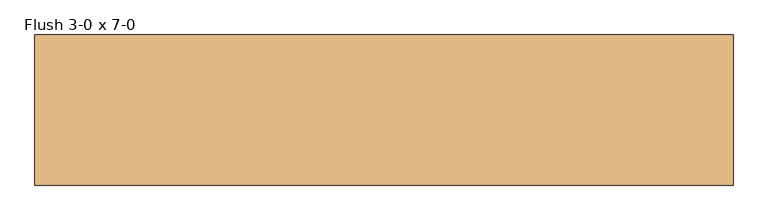
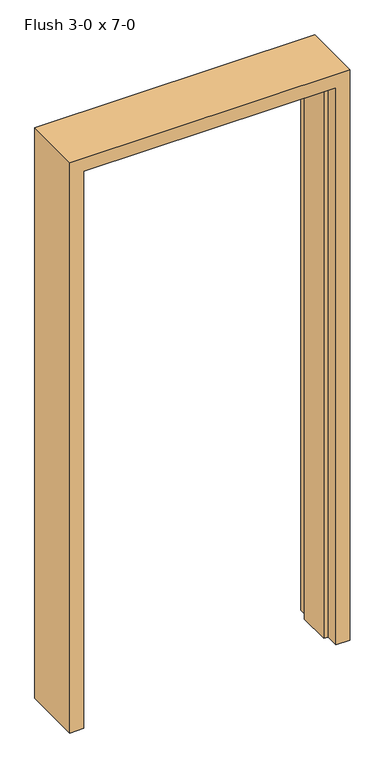
"""IFC4 building model written with IfcOpenShell, lengths in millimetres: door geometry, Flush 3-0 x 7-0."""

import ifcopenshell
import ifcopenshell.guid

model = None  # the IFC model being written
_history = None  # IfcOwnerHistory: only IFC2X3 demands one
_inside = {}  # id of a spatial element -> (the spatial element, [elements in it])
_under = {}  # id of a project, library or spatial element -> (it, [spatial elements below it])
_declared = {}  # id of a project -> (the project, [libraries it declares])
_typed = {}  # id of a type object -> (the type object, [elements of that type])
_made_of = {}  # id of a material, layer set ... -> (it, [elements and type objects made of it])


def new_model(schema):
    """Start an empty IFC model of exactly this schema.

    Asked for "IFC4X3", IfcOpenShell would pick the latest addendum, in which some entities
    have other attributes; the version numbers below select the first issue.
    IFC2X3 requires an IfcOwnerHistory on every rooted entity: one is made here for all.
    """
    global model, _history
    if schema == "IFC4X3":
        model = ifcopenshell.file(schema_version=(4, 3, 0, 0))
    else:
        model = ifcopenshell.file(schema=schema)
    _inside.clear()
    _under.clear()
    _declared.clear()
    _typed.clear()
    _made_of.clear()
    _history = None
    if model.schema == "IFC2X3":
        org = make("IfcOrganization", Name="unknown")
        user = make(
            "IfcPersonAndOrganization",
            ThePerson=make("IfcPerson", FamilyName="unknown"),
            TheOrganization=org,
        )
        app = make(
            "IfcApplication",
            ApplicationDeveloper=org,
            Version="unknown",
            ApplicationFullName="unknown",
            ApplicationIdentifier="unknown",
        )
        _history = make(
            "IfcOwnerHistory",
            OwningUser=user,
            OwningApplication=app,
            ChangeAction="ADDED",
            CreationDate=0,
        )
    return model


def make(cls, **values):
    """One entity of the class cls with the attributes given. An attribute that is None is left unset."""
    return model.create_entity(
        cls, **{name: value for name, value in values.items() if value is not None}
    )


def rooted(cls, **values):
    """An entity with a GlobalId (a new one), such as an element, a storey or a relation."""
    return make(cls, GlobalId=ifcopenshell.guid.new(), OwnerHistory=_history, **values)


def si_unit(unit_type, name, prefix=None):
    """IfcSIUnit, for example si_unit("LENGTHUNIT", "METRE", prefix="MILLI")."""
    return make("IfcSIUnit", UnitType=unit_type, Prefix=prefix, Name=name)


def assignment(units):
    """IfcUnitAssignment: the units of a project."""
    return None if units is None else make("IfcUnitAssignment", Units=units)


def point(xyz):
    """IfcCartesianPoint."""
    return None if xyz is None else make("IfcCartesianPoint", Coordinates=xyz)


def direction(xyz):
    """IfcDirection."""
    return None if xyz is None else make("IfcDirection", DirectionRatios=xyz)


def frame(location, z_axis=None, x_axis=None):
    """IfcAxis2Placement3D, a coordinate frame: its origin and axes. An axis left out is left unset."""
    return make(
        "IfcAxis2Placement3D",
        Location=point(location),
        Axis=direction(z_axis),
        RefDirection=direction(x_axis),
    )


def origin():
    """The frame at (0, 0, 0) with its axes left unset."""
    return frame((0.0, 0.0, 0.0))


def place(relative_to, where):
    """IfcLocalPlacement: puts the frame where relative to a parent placement (None: the world)."""
    return make(
        "IfcLocalPlacement", PlacementRelTo=relative_to, RelativePlacement=where
    )


def context(
    kind, dimensions, precision=None, world=None, true_north=None, identifier=None
):
    """IfcGeometricRepresentationContext, for example the 3D "Model" context."""
    return make(
        "IfcGeometricRepresentationContext",
        ContextIdentifier=identifier,
        ContextType=kind,
        CoordinateSpaceDimension=dimensions,
        Precision=precision,
        WorldCoordinateSystem=world,
        TrueNorth=true_north,
    )


def project(units=None, contexts=None):
    """IfcProject with its units and contexts."""
    return rooted(
        "IfcProject",
        Name="project",
        RepresentationContexts=contexts,
        UnitsInContext=assignment(units),
    )


def spatial(cls, under=None, at=None, **own):
    """A site, building, storey or space (cls), placed at a placement, below another one or the project."""
    s = rooted(cls, ObjectPlacement=at, **own)
    if under is not None:
        _under.setdefault(under.id(), (under, []))[1].append(s)
    return s


def polyline(points):
    """IfcPolyline through the points."""
    return make("IfcPolyline", Points=[point(p) for p in points])


def outline(outer, holes=None, kind="AREA"):
    """IfcArbitraryClosedProfileDef: a profile drawn as a closed curve; with holes, ...WithVoids."""
    if holes is None:
        return make("IfcArbitraryClosedProfileDef", ProfileType=kind, OuterCurve=outer)
    return make(
        "IfcArbitraryProfileDefWithVoids",
        ProfileType=kind,
        OuterCurve=outer,
        InnerCurves=holes,
    )


def extrude(swept, where, along, depth):
    """IfcExtrudedAreaSolid: the profile swept, set in the frame where, extruded along a direction by depth."""
    return make(
        "IfcExtrudedAreaSolid",
        SweptArea=swept,
        Position=where,
        ExtrudedDirection=direction(along),
        Depth=depth,
    )


def shape(context_of_items, identifier, shape_type, items):
    """IfcShapeRepresentation: the items that make up one representation, for example the "Body"."""
    return make(
        "IfcShapeRepresentation",
        ContextOfItems=context_of_items,
        RepresentationIdentifier=identifier,
        RepresentationType=shape_type,
        Items=items,
    )


def source(mapping_origin, context_of_items, identifier, shape_type, items):
    """IfcRepresentationMap: a shape defined once, which mapped items show again and again."""
    return make(
        "IfcRepresentationMap",
        MappingOrigin=mapping_origin,
        MappedRepresentation=shape(context_of_items, identifier, shape_type, items),
    )


def transform(
    local_origin,
    x_axis=None,
    y_axis=None,
    z_axis=None,
    scale=None,
    scale2=None,
    scale3=None,
    uniform=True,
):
    """IfcCartesianTransformationOperator3D, or its non-uniform kind. x_axis, y_axis, z_axis: its Axis1, 2, 3."""
    if uniform:
        return make(
            "IfcCartesianTransformationOperator3D",
            Axis1=direction(x_axis),
            Axis2=direction(y_axis),
            LocalOrigin=point(local_origin),
            Scale=scale,
            Axis3=direction(z_axis),
        )
    return make(
        "IfcCartesianTransformationOperator3DnonUniform",
        Axis1=direction(x_axis),
        Axis2=direction(y_axis),
        LocalOrigin=point(local_origin),
        Scale=scale,
        Axis3=direction(z_axis),
        Scale2=scale2,
        Scale3=scale3,
    )


def mapped(mapping_source, mapping_target):
    """IfcMappedItem: shows the shape of a source again, moved by a transform."""
    return make(
        "IfcMappedItem", MappingSource=mapping_source, MappingTarget=mapping_target
    )


def made_of(thing, what):
    """Note that an element or type object is made of a material, layer set ...; save() writes the relation."""
    if what is not None:
        _made_of.setdefault(what.id(), (what, []))[1].append(thing)
    return thing


def element(
    cls,
    number,
    at=None,
    inside=None,
    cuts=None,
    type_object=None,
    material=None,
    context=None,
    identifier="Body",
    shape_type=None,
    held_by="IfcProductDefinitionShape",
    body=None,
    shapes=None,
    **own,
):
    """One element of the class cls, such as IfcWall. Its Tag is "e" and its number.

    at: its placement. inside: the storey or other place that contains it. cuts: it is an
    opening in that element (IfcRelVoidsElement). A single representation is given by context,
    identifier, shape_type and body (its items); several are given by shapes. held_by: the class
    of the entity that holds the representations. save() writes the other relations.
    """
    e = rooted(cls, Tag="e%d" % number, ObjectPlacement=at, **own)
    if body is not None:
        shapes = [shape(context, identifier, shape_type, body)]
    if shapes is not None:
        e.Representation = make(held_by, Representations=shapes)
    if inside is not None:
        _inside.setdefault(inside.id(), (inside, []))[1].append(e)
    if cuts is not None:
        rooted(
            "IfcRelVoidsElement", RelatingBuildingElement=cuts, RelatedOpeningElement=e
        )
    if type_object is not None:
        _typed.setdefault(type_object.id(), (type_object, []))[1].append(e)
    return made_of(e, material)


def aggregate(whole, parts):
    """IfcRelAggregates: a whole, such as a stair, and the parts it consists of."""
    return rooted("IfcRelAggregates", RelatingObject=whole, RelatedObjects=parts)


def save(model, path):
    """Write the relations noted so far, then the file.

    IfcRelAggregates (storeys below a building ...), IfcRelContainedInSpatialStructure (elements
    in a storey), IfcRelDefinesByType, IfcRelAssociatesMaterial and IfcRelDeclares: one each for
    every whole, place, type object, material and project.
    """
    for whole, parts in _under.values():
        aggregate(whole, parts)
    for where, things in _inside.values():
        rooted(
            "IfcRelContainedInSpatialStructure",
            RelatedElements=things,
            RelatingStructure=where,
        )
    for kind, things in _typed.values():
        rooted("IfcRelDefinesByType", RelatedObjects=things, RelatingType=kind)
    for what, things in _made_of.values():
        rooted("IfcRelAssociatesMaterial", RelatedObjects=things, RelatingMaterial=what)
    for by, libraries in _declared.values():
        rooted("IfcRelDeclares", RelatingContext=by, RelatedDefinitions=libraries)
    model.write(path)


def flush_3_0_x_7_0_9e3c1bed(model_context):
    return source(origin(), model_context, "Body", "SweptSolid", [
        extrude(outline(polyline([(0.0, 457.2), (2133.6, 457.2), (2133.6, -457.2), (0.0, -457.2), (0.0, -441.325), (2117.725, -441.325), (2117.725, 441.325), (0.0, 441.325), (0.0, 457.2)])), frame((0.0, -68.2625, 0.0), z_axis=(0.0, 1.0, 0.0), x_axis=(0.0, 0.0, 1.0)), (0.0, 0.0, 1.0), 120.65),
        extrude(outline(polyline([(0.0, 457.2), (0.0, 508.0), (2184.4, 508.0), (2184.4, -508.0), (0.0, -508.0), (0.0, -457.2), (2133.6, -457.2), (2133.6, 457.2), (0.0, 457.2)])), frame((0.0, -117.475, 0.0), z_axis=(0.0, 1.0, 0.0), x_axis=(0.0, 0.0, 1.0)), (0.0, 0.0, 1.0), 219.075),
    ])


if __name__ == "__main__":
    model = new_model("IFC4")
    model_context = context("Model", 3, world=origin())
    ifc_project = project(units=[si_unit("LENGTHUNIT", "METRE", prefix="MILLI")], contexts=[model_context])
    site = spatial("IfcSite", under=ifc_project)
    building = spatial("IfcBuilding", under=site)
    placement = place(None, origin())
    flush_3_0_x_7_0_shape = flush_3_0_x_7_0_9e3c1bed(model_context)
    element("IfcDoor", 1, ObjectType="Flush 3-0 x 7-0", at=placement, inside=building, context=model_context, shape_type="MappedRepresentation", body=[
        mapped(flush_3_0_x_7_0_shape, transform((0.0, 0.0, 0.0), x_axis=(1.0, 0.0, 0.0), y_axis=(0.0, 1.0, 0.0), z_axis=(0.0, 0.0, 1.0))),
    ])
    save(model, "model.ifc")
